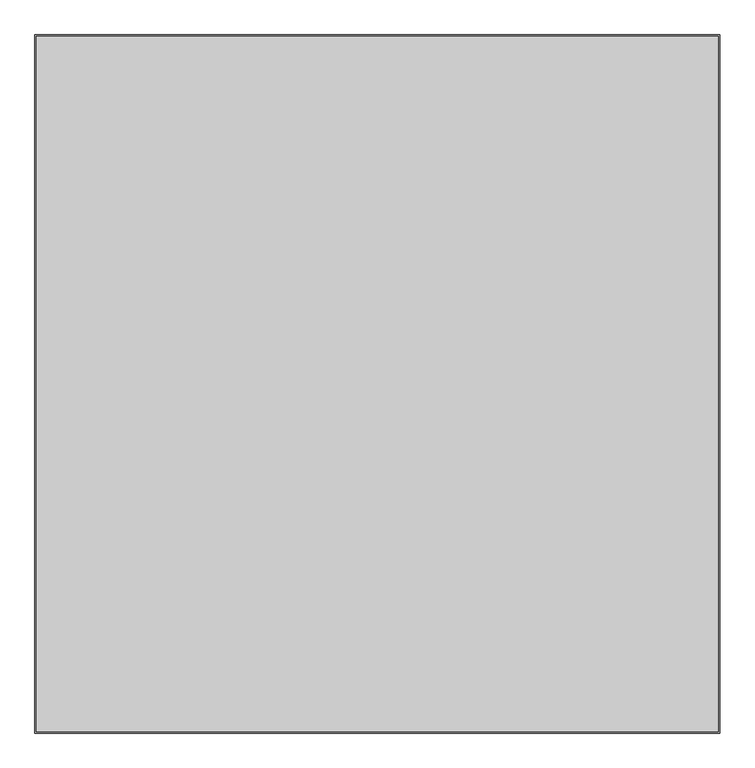
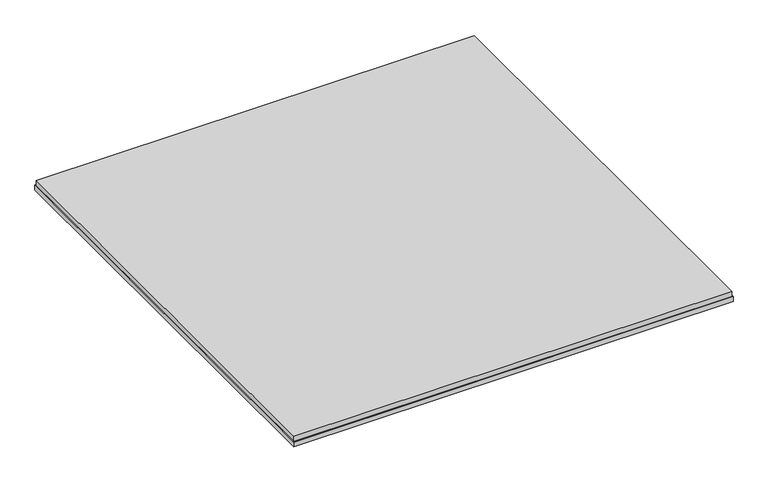
"""IFC4 building model written with IfcOpenShell, lengths in millimetres: proxy geometry."""

from ifc_helpers import new_model, si_unit, frame, origin, place, context, project, spatial, polyline, outline, extrude, source, transform, mapped, element, save


def generic_models_f9e00c77(model_context):
    return source(origin(), model_context, "Body", "SweptSolid", [
        extrude(outline(polyline([(2248.5, -69.0), (2248.5, -2333.9), (27.5, -2333.9), (27.5, -69.0), (2248.5, -69.0)])), frame((0.0, 0.0, -43.0), z_axis=(0.0, 0.0, 1.0), x_axis=(1.0, 0.0, 0.0)), (0.0, 0.0, 1.0), 27.0),
        extrude(outline(polyline([(23.5, -65.0), (2252.5, -65.0), (2252.5, -2337.9), (23.5, -2337.9), (23.5, -65.0)]), holes=[polyline([(2234.5, -83.0), (41.5, -83.0), (41.5, -2319.9), (2234.5, -2319.9), (2234.5, -83.0)])]), frame((0.0, 0.0, -68.0), z_axis=(0.0, 0.0, 1.0), x_axis=(1.0, 0.0, 0.0)), (0.0, 0.0, 1.0), 25.0),
    ])


if __name__ == "__main__":
    model = new_model("IFC4")
    model_context = context("Model", 3, world=origin())
    ifc_project = project(units=[si_unit("LENGTHUNIT", "METRE", prefix="MILLI")], contexts=[model_context])
    site = spatial("IfcSite", under=ifc_project)
    building = spatial("IfcBuilding", under=site)
    placement = place(None, origin())
    generic_models_shape = generic_models_f9e00c77(model_context)
    element("IfcBuildingElementProxy", 1, Name="Generic Models", at=placement, inside=building, context=model_context, shape_type="MappedRepresentation", body=[
        mapped(generic_models_shape, transform((0.0, 0.0, 0.0), x_axis=(1.0, 0.0, 0.0), y_axis=(0.0, 1.0, 0.0), z_axis=(0.0, 0.0, 1.0))),
    ])
    save(model, "model.ifc")
